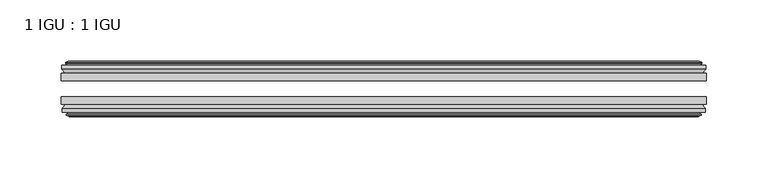
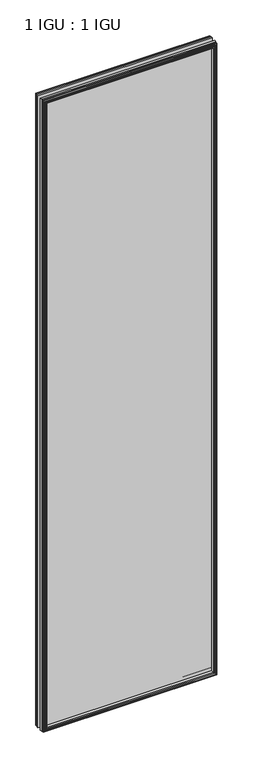
"""IFC4 building model written with IfcOpenShell, lengths in millimetres: plate geometry, 1 IGU : 1 IGU."""

from ifc_helpers import new_model, si_unit, frame, origin, place, context, project, spatial, polyline, outline, extrude, faceted_brep, source, transform, mapped, element, save


def plate_1_igu_1_igu_85f59ba9(model_context):
    return source(origin(), model_context, "Body", "SolidModel", [
        extrude(outline(polyline([(263.525, -19.5460937), (263.525, -25.8960938), (-263.525, -25.8960938), (-263.525, -19.5460937), (263.525, -19.5460937)])), frame((0.0, 0.0, -12.7), z_axis=(0.0, 0.0, 1.0), x_axis=(1.0, 0.0, 0.0)), (0.0, 0.0, 1.0), 2019.3),
        extrude(outline(polyline([(-263.525, -44.9460938), (-263.525, -38.9186737), (263.525, -38.9186737), (263.525, -44.9460938), (-263.525, -44.9460938)])), frame((0.0, 0.0, -12.7), z_axis=(0.0, 0.0, 1.0), x_axis=(1.0, 0.0, 0.0)), (0.0, 0.0, 1.0), 2019.3),
        faceted_brep([(-257.937, -53.6762907, 2001.012), (-258.318, -51.2960937, 2001.393), (-258.318, -51.2960937, -7.493), (-257.937, -53.6762907, -7.112), (-259.3525291, -53.2163575, 2002.4275291), (-259.3525291, -53.2163575, -8.5275291), (-259.3525291, -54.0175717, 2002.4275291), (-259.3525291, -54.0175717, -8.5275291), (-257.175, -54.7250937, 2000.25), (-257.175, -54.7250937, -6.35), (-254.9974709, -54.0175717, 1998.0724709), (-254.9974709, -54.0175717, -4.1724709), (-254.9974709, -53.2163575, 1998.0724709), (-254.9974709, -53.2163575, -4.1724709), (-256.413, -53.6762907, 1999.488), (-256.413, -53.6762907, -5.588), (-256.032, -51.2960937, 1999.107), (-256.032, -51.2960937, -5.207), (-249.1072819, -44.9460937, 1992.1822819), (-250.825, -51.2960937, 1993.9), (-250.825, -51.2960937, 0.0), (-249.1072819, -44.9460937, 1.7177181), (-262.763, -48.3496937, 2005.838), (-259.9286578, -44.9460937, 2003.0036578), (-259.9286578, -44.9460937, -9.1036578), (-262.763, -48.3496937, -11.938), (-262.763, -51.2960937, 2005.838), (-262.763, -51.2960937, -11.938), (258.318, -51.2960938, -7.493), (257.937, -53.6762907, -7.112), (259.3525291, -53.2163575, -8.5275291), (259.3525291, -54.0175717, -8.5275291), (257.175, -54.7250937, -6.35), (254.9974709, -54.0175717, -4.1724709), (254.9974709, -53.2163575, -4.1724709), (256.413, -53.6762907, -5.588), (256.032, -51.2960937, -5.207), (250.825, -51.2960937, 0.0), (249.1072819, -44.9460937, 1.7177181), (259.9286578, -44.9460937, -9.1036578), (262.763, -48.3496937, -11.938), (262.763, -51.2960938, -11.938), (258.318, -51.2960938, 2001.393), (257.937, -53.6762907, 2001.012), (259.3525291, -53.2163575, 2002.4275291), (259.3525291, -54.0175717, 2002.4275291), (257.175, -54.7250937, 2000.25), (254.9974709, -54.0175717, 1998.0724709), (254.9974709, -53.2163575, 1998.0724709), (256.413, -53.6762907, 1999.488), (256.032, -51.2960937, 1999.107), (250.825, -51.2960937, 1993.9), (249.1072819, -44.9460937, 1992.1822819), (259.9286578, -44.9460937, 2003.0036578), (262.763, -48.3496937, 2005.838), (262.763, -51.2960938, 2005.838)], [[[0, 1, 2, 3]], [[4, 0, 3, 5]], [[6, 4, 5, 7]], [[8, 6, 7, 9]], [[10, 8, 9, 11]], [[12, 10, 11, 13]], [[14, 12, 13, 15]], [[16, 14, 15, 17]], [[18, 19, 20, 21]], [[22, 23, 24, 25]], [[26, 22, 25, 27]], [[3, 2, 28, 29]], [[5, 3, 29, 30]], [[7, 5, 30, 31]], [[9, 7, 31, 32]], [[11, 9, 32, 33]], [[13, 11, 33, 34]], [[15, 13, 34, 35]], [[17, 15, 35, 36]], [[21, 20, 37, 38]], [[25, 24, 39, 40]], [[27, 25, 40, 41]], [[29, 28, 42, 43]], [[30, 29, 43, 44]], [[31, 30, 44, 45]], [[32, 31, 45, 46]], [[33, 32, 46, 47]], [[34, 33, 47, 48]], [[35, 34, 48, 49]], [[36, 35, 49, 50]], [[38, 37, 51, 52]], [[40, 39, 53, 54]], [[41, 40, 54, 55]], [[27, 41, 55, 26], [1, 42, 28, 2]], [[43, 42, 1, 0]], [[44, 43, 0, 4]], [[45, 44, 4, 6]], [[46, 45, 6, 8]], [[47, 46, 8, 10]], [[48, 47, 10, 12]], [[49, 48, 12, 14]], [[50, 49, 14, 16]], [[17, 36, 50, 16], [19, 51, 37, 20]], [[52, 51, 19, 18]], [[23, 53, 39, 24], [21, 38, 52, 18]], [[54, 53, 23, 22]], [[55, 54, 22, 26]]]),
        faceted_brep([(-260.4493578, -19.5460937, 2003.5243578), (-263.2837, -16.1424937, 2006.3587), (-263.2837, -16.1424937, -12.4587), (-260.4493578, -19.5460937, -9.6243578), (-251.3457, -13.1960937, 1994.4207), (-249.6279819, -19.5460937, 1992.7029819), (-249.6279819, -19.5460937, 1.1970181), (-251.3457, -13.1960937, -0.5207), (-256.9337, -10.8158968, 2000.0087), (-256.5527, -13.1960937, 1999.6277), (-256.5527, -13.1960937, -5.7277), (-256.9337, -10.8158968, -6.1087), (-255.5181709, -11.27583, 1998.5931709), (-255.5181709, -11.27583, -4.6931709), (-255.5181709, -10.4746158, 1998.5931709), (-255.5181709, -10.4746158, -4.6931709), (-257.6957, -9.7670937, 2000.7707), (-257.6957, -9.7670937, -6.8707), (-259.8732291, -10.4746158, 2002.9482291), (-259.8732291, -10.4746158, -9.0482291), (-259.8732291, -11.27583, 2002.9482291), (-259.8732291, -11.27583, -9.0482291), (-258.4577, -10.8158968, 2001.5327), (-258.4577, -10.8158968, -7.6327), (-258.8387, -13.1960937, 2001.9137), (-258.8387, -13.1960937, -8.0137), (-263.2837, -13.1960937, 2006.3587), (-263.2837, -13.1960937, -12.4587), (263.2837, -16.1424937, -12.4587), (260.4493578, -19.5460937, -9.6243578), (249.6279819, -19.5460937, 1.1970181), (251.3457, -13.1960937, -0.5207), (256.5527, -13.1960937, -5.7277), (256.9337, -10.8158968, -6.1087), (255.5181709, -11.27583, -4.6931709), (255.5181709, -10.4746158, -4.6931709), (257.6957, -9.7670937, -6.8707), (259.8732291, -10.4746158, -9.0482291), (259.8732291, -11.27583, -9.0482291), (258.4577, -10.8158968, -7.6327), (258.8387, -13.1960937, -8.0137), (263.2837, -13.1960937, -12.4587), (263.2837, -16.1424937, 2006.3587), (260.4493578, -19.5460937, 2003.5243578), (249.6279819, -19.5460937, 1992.7029819), (251.3457, -13.1960937, 1994.4207), (256.5527, -13.1960937, 1999.6277), (256.9337, -10.8158968, 2000.0087), (255.5181709, -11.27583, 1998.5931709), (255.5181709, -10.4746158, 1998.5931709), (257.6957, -9.7670937, 2000.7707), (259.8732291, -10.4746158, 2002.9482291), (259.8732291, -11.27583, 2002.9482291), (258.4577, -10.8158968, 2001.5327), (258.8387, -13.1960937, 2001.9137), (263.2837, -13.1960937, 2006.3587)], [[[0, 1, 2, 3]], [[4, 5, 6, 7]], [[8, 9, 10, 11]], [[12, 8, 11, 13]], [[14, 12, 13, 15]], [[16, 14, 15, 17]], [[18, 16, 17, 19]], [[20, 18, 19, 21]], [[22, 20, 21, 23]], [[24, 22, 23, 25]], [[1, 26, 27, 2]], [[3, 2, 28, 29]], [[7, 6, 30, 31]], [[11, 10, 32, 33]], [[13, 11, 33, 34]], [[15, 13, 34, 35]], [[17, 15, 35, 36]], [[19, 17, 36, 37]], [[21, 19, 37, 38]], [[23, 21, 38, 39]], [[25, 23, 39, 40]], [[2, 27, 41, 28]], [[29, 28, 42, 43]], [[31, 30, 44, 45]], [[33, 32, 46, 47]], [[34, 33, 47, 48]], [[35, 34, 48, 49]], [[36, 35, 49, 50]], [[37, 36, 50, 51]], [[38, 37, 51, 52]], [[39, 38, 52, 53]], [[40, 39, 53, 54]], [[28, 41, 55, 42]], [[43, 42, 1, 0]], [[3, 29, 43, 0], [5, 44, 30, 6]], [[45, 44, 5, 4]], [[9, 46, 32, 10], [7, 31, 45, 4]], [[47, 46, 9, 8]], [[48, 47, 8, 12]], [[49, 48, 12, 14]], [[50, 49, 14, 16]], [[51, 50, 16, 18]], [[52, 51, 18, 20]], [[53, 52, 20, 22]], [[54, 53, 22, 24]], [[26, 55, 41, 27], [25, 40, 54, 24]], [[42, 55, 26, 1]]]),
    ])


if __name__ == "__main__":
    model = new_model("IFC4")
    model_context = context("Model", 3, world=origin())
    ifc_project = project(units=[si_unit("LENGTHUNIT", "METRE", prefix="MILLI")], contexts=[model_context])
    site = spatial("IfcSite", under=ifc_project)
    building = spatial("IfcBuilding", under=site)
    placement = place(None, origin())
    plate_1_igu_1_igu_shape = plate_1_igu_1_igu_85f59ba9(model_context)
    element("IfcPlate", 1, ObjectType="1 IGU : 1 IGU", at=placement, inside=building, context=model_context, shape_type="MappedRepresentation", body=[
        mapped(plate_1_igu_1_igu_shape, transform((0.0, 0.0, 0.0), x_axis=(1.0, 0.0, 0.0), y_axis=(0.0, 1.0, 0.0), z_axis=(0.0, 0.0, 1.0))),
    ])
    save(model, "model.ifc")
